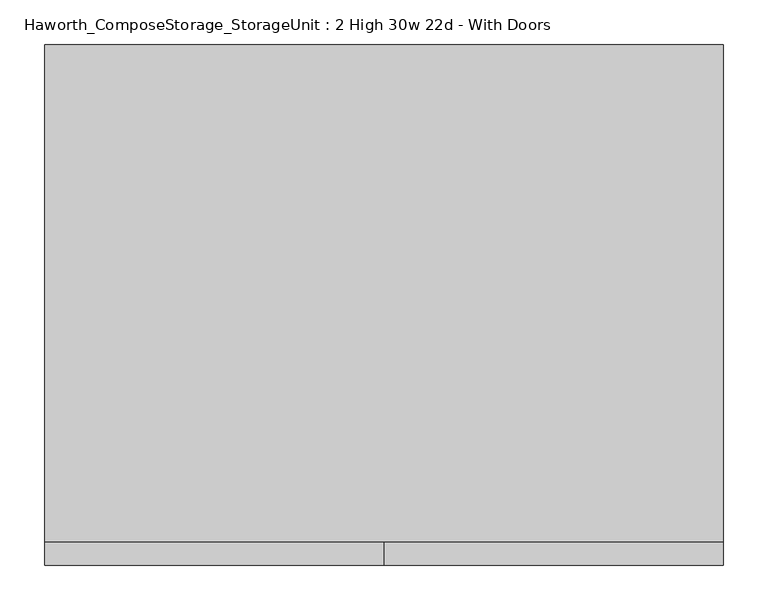
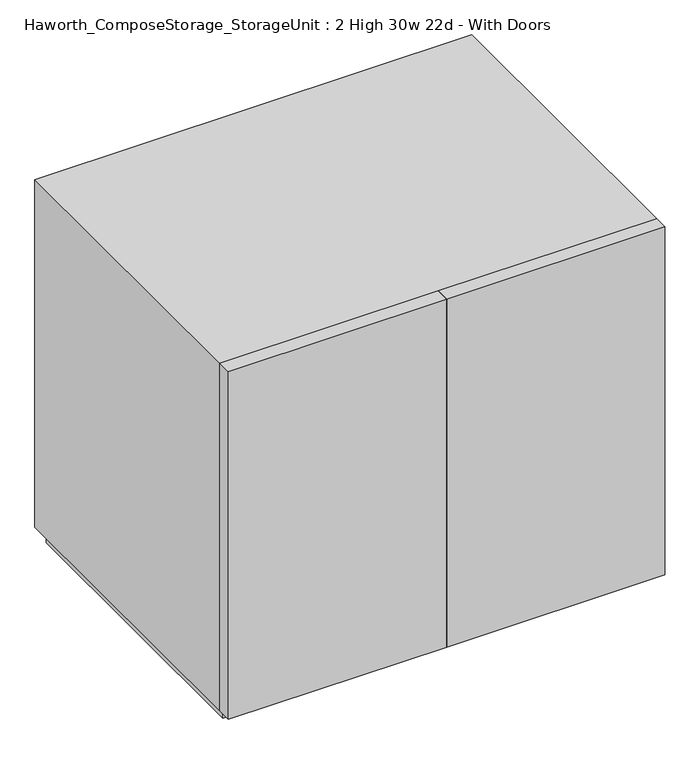
"""IFC4 building model written with IfcOpenShell, lengths in millimetres: furniture geometry, Haworth_ComposeStorage_StorageUnit : 2 High 30w 22d - With Doors."""

from ifc_helpers import new_model, si_unit, frame, origin, origin_with_axes, place, context, project, spatial, polyline, outline, extrude, source, transform, mapped, element, save


def haworth_composestorage_storageunit_2_high_30w_22d_with_doors_e6c93a2a(model_context):
    return source(origin(), model_context, "Body", "SweptSolid", [
        extrude(outline(polyline([(361.9569453, 295.275), (361.9569453, -228.6), (-361.9291641, -228.6), (-361.9291641, 295.275), (361.9569453, 295.275)])), frame((0.0, 0.0, 336.55), z_axis=(0.0, 0.0, 1.0), x_axis=(1.0, 0.0, 0.0)), (0.0, 0.0, 1.0), 19.05),
        extrude(outline(polyline([(0.0138906, -254.0), (0.0138906, -228.6), (381.0138906, -228.6), (381.0138906, -254.0), (0.0138906, -254.0)])), frame((0.0, 0.0, 25.4), z_axis=(0.0, 0.0, 1.0), x_axis=(1.0, 0.0, 0.0)), (0.0, 0.0, 1.0), 641.35),
        extrude(outline(polyline([(0.0138906, -254.0), (-380.9861094, -254.0), (-380.9861094, -228.6), (0.0138906, -228.6), (0.0138906, -254.0)])), frame((0.0, 0.0, 25.4), z_axis=(0.0, 0.0, 1.0), x_axis=(1.0, 0.0, 0.0)), (0.0, 0.0, 1.0), 641.35),
        extrude(outline(polyline([(25.4, -380.9861094), (25.4, 381.0138906), (666.75, 381.0138906), (666.75, -380.9861094), (25.4, -380.9861094)]), holes=[polyline([(44.45, -361.9361094), (647.7, -361.9361094), (647.7, 361.9569453), (44.45, 361.9569453), (44.45, -361.9361094)])]), frame((0.0, -228.6, 0.0), z_axis=(0.0, 1.0, 0.0), x_axis=(0.0, 0.0, 1.0)), (0.0, 0.0, 1.0), 558.8),
        extrude(outline(polyline([(-361.9291641, 295.275), (-361.9291641, 304.8), (361.9569453, 304.8), (361.9569453, 295.275), (-361.9291641, 295.275)])), frame((0.0, 0.0, 44.45), z_axis=(0.0, 0.0, 1.0), x_axis=(1.0, 0.0, 0.0)), (0.0, 0.0, 1.0), 603.25),
        extrude(outline(polyline([(368.3138906, -215.9), (-368.2861094, -215.9), (-368.2861094, 317.5), (368.3138906, 317.5), (368.3138906, -215.9)])), origin_with_axes(), (0.0, 0.0, 1.0), 25.4),
    ])


if __name__ == "__main__":
    model = new_model("IFC4")
    model_context = context("Model", 3, world=origin())
    ifc_project = project(units=[si_unit("LENGTHUNIT", "METRE", prefix="MILLI")], contexts=[model_context])
    site = spatial("IfcSite", under=ifc_project)
    building = spatial("IfcBuilding", under=site)
    placement = place(None, origin())
    haworth_composestorage_storageunit_2_high_30w_22d_with_doors_shape = haworth_composestorage_storageunit_2_high_30w_22d_with_doors_e6c93a2a(model_context)
    element("IfcFurniture", 1, ObjectType="Haworth_ComposeStorage_StorageUnit : 2 High 30w 22d - With Doors", at=placement, inside=building, context=model_context, shape_type="MappedRepresentation", body=[
        mapped(haworth_composestorage_storageunit_2_high_30w_22d_with_doors_shape, transform((0.0, 0.0, 0.0), x_axis=(1.0, 0.0, 0.0), y_axis=(0.0, 1.0, 0.0), z_axis=(0.0, 0.0, 1.0))),
    ])
    save(model, "model.ifc")
